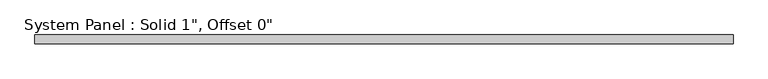
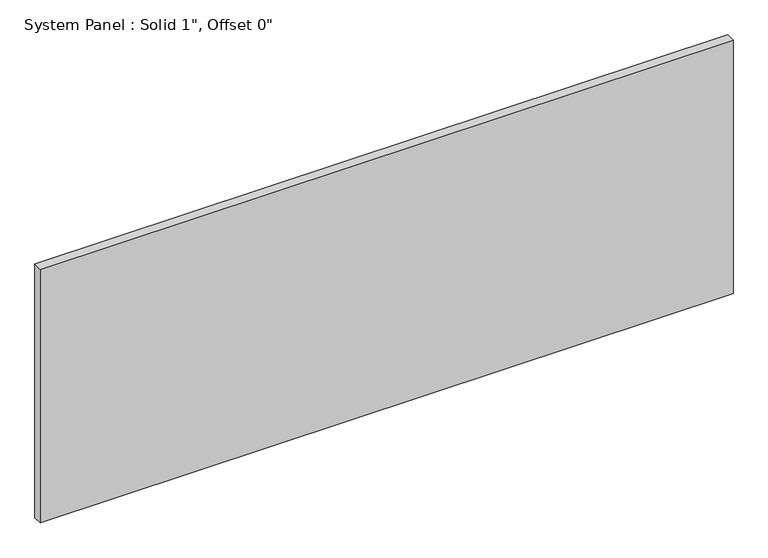
"""IFC4 building model written with IfcOpenShell, lengths in millimetres: plate geometry."""

from ifc_helpers import new_model, si_unit, origin, origin_with_axes, place, context, project, spatial, polyline, outline, extrude, source, transform, mapped, element, save


def plate_7d6118cb(model_context):
    return source(origin(), model_context, "Body", "SweptSolid", [
        extrude(outline(polyline([(981.075, -12.7), (-981.075, -12.7), (-981.075, 12.7), (981.075, 12.7), (981.075, -12.7)])), origin_with_axes(), (0.0, 0.0, 1.0), 759.4995022),
    ])


if __name__ == "__main__":
    model = new_model("IFC4")
    model_context = context("Model", 3, world=origin())
    ifc_project = project(units=[si_unit("LENGTHUNIT", "METRE", prefix="MILLI")], contexts=[model_context])
    site = spatial("IfcSite", under=ifc_project)
    building = spatial("IfcBuilding", under=site)
    placement = place(None, origin())
    plate_shape = plate_7d6118cb(model_context)
    element("IfcPlate", 1, ObjectType="System Panel : Solid 1\", Offset 0\"", at=placement, inside=building, context=model_context, shape_type="MappedRepresentation", body=[
        mapped(plate_shape, transform((0.0, 0.0, 0.0), x_axis=(1.0, 0.0, 0.0), y_axis=(0.0, 1.0, 0.0), z_axis=(0.0, 0.0, 1.0))),
    ])
    save(model, "model.ifc")
